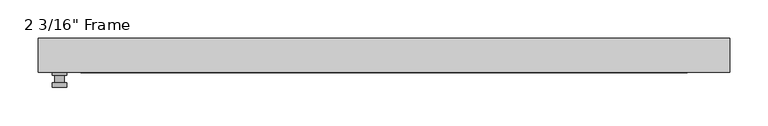
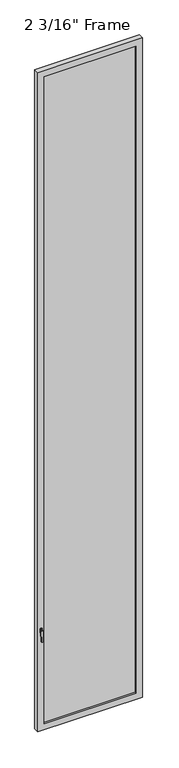
"""IFC4 building model written with IfcOpenShell, lengths in millimetres: plate geometry."""

from ifc_helpers import new_model, si_unit, frame, origin, place, context, project, spatial, polyline, circle_curve, outline, extrude, faceted_brep, source, transform, mapped, element, save
from ifc_brep_helpers import plane_surface, cylinder_surface, advanced_brep


def plate_d93dda20(model_context):
    return source(origin(), model_context, "Body", "SolidModel", [
        advanced_brep(
        [(-415.13125, -22.225, 927.1), (-415.13125, -22.225, 901.7), (-434.18125, -22.225, 901.7), (-434.18125, -22.225, 927.1), (-418.30625, -34.925, 914.4), (-431.00625, -34.925, 914.4), (-431.00625, -25.4, 914.4), (-418.30625, -25.4, 914.4), (-415.13125, -34.925, 914.4), (-418.3102856, -34.925, 825.2736467), (-431.0022144, -34.925, 825.2736467), (-434.18125, -34.925, 914.4), (-415.13125, -41.275, 914.4), (-434.18125, -41.275, 914.4), (-431.0022144, -41.275, 825.2736467), (-418.3102856, -41.275, 825.2736467), (-415.13125, -25.4, 927.1), (-434.18125, -25.4, 927.1), (-434.18125, -25.4, 901.7), (-415.13125, -25.4, 901.7)],
        [
            (0, 1),
            (1, 2, circle_curve(frame((-424.65625, -22.225, 901.7), z_axis=(0.0, 1.0, 0.0), x_axis=(-1.0, 0.0, 0.0)), 9.525)),
            (2, 3),
            (3, 0, circle_curve(frame((-424.65625, -22.225, 927.1), z_axis=(0.0, 1.0, 0.0), x_axis=(-1.0, 0.0, 0.0)), 9.525)),
            (4, 5, circle_curve(frame((-424.65625, -34.925, 914.4), z_axis=(0.0, 1.0, 0.0), x_axis=(-1.0, 0.0, 0.0)), 6.35)),
            (5, 6),
            (6, 7, circle_curve(frame((-424.65625, -25.4, 914.4), z_axis=(0.0, -1.0, 0.0), x_axis=(-1.0, 0.0, 0.0)), 6.35)),
            (7, 4),
            (5, 4, circle_curve(frame((-424.65625, -34.925, 914.4), z_axis=(0.0, 1.0, 0.0), x_axis=(-1.0, 0.0, 0.0)), 6.35)),
            (7, 6, circle_curve(frame((-424.65625, -25.4, 914.4), z_axis=(0.0, -1.0, 0.0), x_axis=(-1.0, 0.0, 0.0)), 6.35)),
            (8, 9),
            (9, 10, circle_curve(frame((-424.65625, -34.925, 825.5), z_axis=(0.0, 1.0, 0.0), x_axis=(-1.0, 0.0, 0.0)), 6.35)),
            (10, 11),
            (11, 8, circle_curve(frame((-424.65625, -34.925, 914.4), z_axis=(0.0, 1.0, 0.0), x_axis=(-1.0, 0.0, 0.0)), 9.525)),
            (12, 13, circle_curve(frame((-424.65625, -41.275, 914.4), z_axis=(0.0, -1.0, 0.0), x_axis=(-1.0, 0.0, 0.0)), 9.525)),
            (13, 14),
            (14, 15, circle_curve(frame((-424.65625, -41.275, 825.5), z_axis=(0.0, -1.0, 0.0), x_axis=(-1.0, 0.0, 0.0)), 6.35)),
            (15, 12),
            (8, 12),
            (15, 9),
            (14, 10),
            (13, 11),
            (16, 17, circle_curve(frame((-424.65625, -25.4, 927.1), z_axis=(0.0, -1.0, 0.0), x_axis=(-1.0, 0.0, 0.0)), 9.525)),
            (17, 18),
            (18, 19, circle_curve(frame((-424.65625, -25.4, 901.7), z_axis=(0.0, -1.0, 0.0), x_axis=(-1.0, 0.0, 0.0)), 9.525)),
            (19, 16),
            (0, 16),
            (19, 1),
            (18, 2),
            (17, 3),
        ],
        [
            plane_surface(frame((-431.00625, -22.225, 914.4), z_axis=(0.0, 1.0, 0.0), x_axis=(0.0, 0.0, 1.0))),
            cylinder_surface(frame((-424.65625, -34.925, 914.4), z_axis=(0.0, 1.0, 0.0), x_axis=(-1.0, 0.0, 0.0)), 6.35),
            plane_surface(frame((-415.13125, -34.925, 914.4), z_axis=(0.0, 1.0000000000000002, 0.0), x_axis=(-0.03564619348186888, 0.0, -0.9993644724975235))),
            plane_surface(frame((-415.13125, -41.275, 914.4), z_axis=(0.0, -1.0000000000000002, 0.0), x_axis=(0.03564619348186888, 0.0, 0.9993644724975235))),
            plane_surface(frame((-415.13125, -34.925, 914.4), z_axis=(0.9993644724975235, 0.0, -0.03564619348186888), x_axis=(0.0, -1.0, 0.0))),
            cylinder_surface(frame((-424.65625, -41.275, 825.5), z_axis=(0.0, 1.0, 0.0), x_axis=(-1.0, 0.0, 0.0)), 6.35),
            plane_surface(frame((-431.0022144, -34.925, 825.2736467), z_axis=(-0.9993644724975228, 0.0, -0.03564619348188612), x_axis=(0.0, -1.0, 0.0))),
            cylinder_surface(frame((-424.65625, -41.275, 914.4), z_axis=(0.0, 1.0, 0.0), x_axis=(-1.0, 0.0, 0.0)), 9.525),
            plane_surface(frame((-415.13125, -25.4, 901.7), z_axis=(0.0, -1.0, 0.0), x_axis=(0.0, 0.0, 1.0))),
            plane_surface(frame((-415.13125, -22.225, 927.1), z_axis=(1.0, 0.0, 0.0), x_axis=(0.0, -1.0, 0.0))),
            cylinder_surface(frame((-424.65625, -25.4, 901.7), z_axis=(0.0, 1.0, 0.0), x_axis=(-1.0, 0.0, 0.0)), 9.525),
            plane_surface(frame((-434.18125, -22.225, 901.7), z_axis=(-1.0, 0.0, 0.0), x_axis=(0.0, -1.0, 0.0))),
            cylinder_surface(frame((-424.65625, -25.4, 927.1), z_axis=(0.0, 1.0, 0.0), x_axis=(-1.0, 0.0, 0.0)), 9.525),
        ],
        [
            (0, [[1, 2, 3, 4]]),
            (1, [[5, 6, 7, 8]]),
            (1, [[9, -8, 10, -6]]),
            (2, [[11, 12, 13, 14], [-5, -9]]),
            (3, [[15, 16, 17, 18]]),
            (4, [[-11, 19, -18, 20]]),
            (5, [[-12, -20, -17, 21]]),
            (6, [[-13, -21, -16, 22]]),
            (7, [[-14, -22, -15, -19]]),
            (8, [[23, 24, 25, 26], [-7, -10]]),
            (9, [[-1, 27, -26, 28]]),
            (10, [[-2, -28, -25, 29]]),
            (11, [[-3, -29, -24, 30]]),
            (12, [[-4, -30, -23, -27]]),
        ],
    ),
        faceted_brep([(-452.4375, -22.225, 0.0), (-452.4375, 22.225, 0.0), (452.4375, 22.225, 0.0), (452.4375, -22.225, 0.0), (-396.875, 22.225, 5951.5375), (-396.875, 15.875, 5951.5375), (-396.875, 15.875, 55.5625), (-396.875, 22.225, 55.5625), (409.575, 15.875, 5964.2375), (-409.575, 15.875, 5964.2375), (-409.575, 15.875, 42.8625), (409.575, 15.875, 42.8625), (396.875, 15.875, 5951.5375), (396.875, 15.875, 55.5625), (-409.575, -7.9375, 5964.2375), (-409.575, -7.9375, 42.8625), (409.575, -7.9375, 5964.2375), (409.575, -7.9375, 42.8625), (-396.875, -7.9375, 5951.5375), (-396.875, -7.9375, 55.5625), (396.875, -7.9375, 55.5625), (396.875, -7.9375, 5951.5375), (-396.875, -22.225, 5951.5375), (-396.875, -22.225, 55.5625), (452.4375, -22.225, 6007.1), (-452.4375, -22.225, 6007.1), (396.875, -22.225, 5951.5375), (396.875, -22.225, 55.5625), (-452.4375, 22.225, 6007.1), (452.4375, 22.225, 6007.1), (396.875, 22.225, 55.5625), (396.875, 22.225, 5951.5375)], [[[0, 1, 2, 3]], [[4, 5, 6, 7]], [[8, 9, 10, 11], [5, 12, 13, 6]], [[10, 9, 14, 15]], [[14, 16, 17, 15], [18, 19, 20, 21]], [[18, 22, 23, 19]], [[0, 3, 24, 25], [22, 26, 27, 23]], [[1, 0, 25, 28]], [[2, 1, 28, 29], [4, 7, 30, 31]], [[5, 4, 31, 12]], [[9, 8, 16, 14]], [[18, 21, 26, 22]], [[25, 24, 29, 28]], [[12, 31, 30, 13]], [[17, 16, 8, 11]], [[26, 21, 20, 27]], [[24, 3, 2, 29]], [[23, 27, 20, 19]], [[11, 10, 15, 17]], [[6, 13, 30, 7]]]),
        extrude(outline(polyline([(409.575, -7.9375), (-409.575, -7.9375), (-409.575, 15.875), (409.575, 15.875), (409.575, -7.9375)])), frame((0.0, 0.0, 42.8625), z_axis=(0.0, 0.0, 1.0), x_axis=(1.0, 0.0, 0.0)), (0.0, 0.0, 1.0), 5921.375),
    ])


if __name__ == "__main__":
    model = new_model("IFC4")
    model_context = context("Model", 3, world=origin())
    ifc_project = project(units=[si_unit("LENGTHUNIT", "METRE", prefix="MILLI")], contexts=[model_context])
    site = spatial("IfcSite", under=ifc_project)
    building = spatial("IfcBuilding", under=site)
    placement = place(None, origin())
    plate_shape = plate_d93dda20(model_context)
    element("IfcPlate", 1, ObjectType="2 3/16\" Frame", at=placement, inside=building, context=model_context, shape_type="MappedRepresentation", body=[
        mapped(plate_shape, transform((0.0, 0.0, 0.0), x_axis=(1.0, 0.0, 0.0), y_axis=(0.0, 1.0, 0.0), z_axis=(0.0, 0.0, 1.0))),
    ])
    save(model, "model.ifc")
